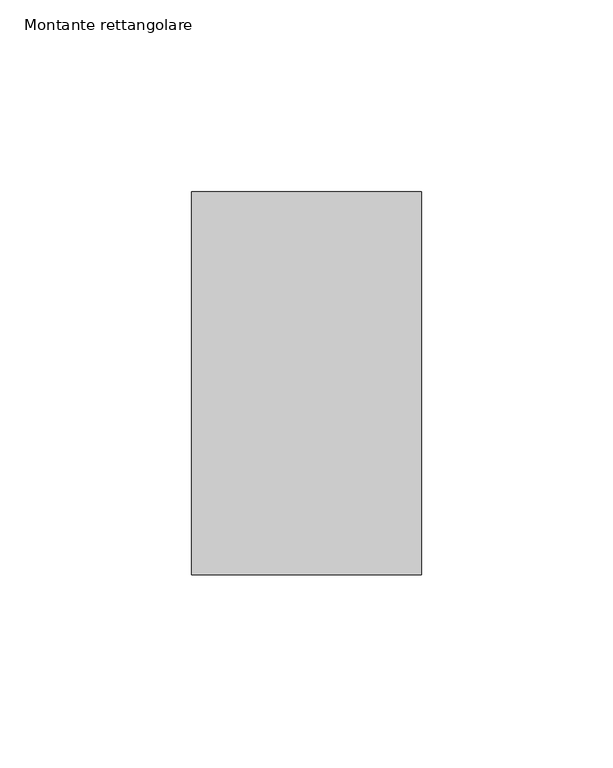
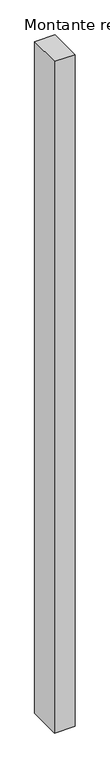
"""IFC4 building model written with IfcOpenShell, lengths in millimetres: member geometry, Montante rettangolare."""

from ifc_helpers import new_model, si_unit, frame, origin, place, context, project, spatial, polyline, outline, extrude, source, transform, mapped, element, save


def montante_rettangolare_3e5926e0(model_context):
    return source(origin(), model_context, "Body", "SweptSolid", [
        extrude(outline(polyline([(30.0, 50.0), (30.0, -50.0), (-30.0, -50.0), (-30.0, 50.0), (30.0, 50.0)])), frame((0.0, 0.0, -2075.0), z_axis=(0.0, 0.0, 1.0), x_axis=(1.0, 0.0, 0.0)), (0.0, 0.0, 1.0), 2075.0),
    ])


if __name__ == "__main__":
    model = new_model("IFC4")
    model_context = context("Model", 3, world=origin())
    ifc_project = project(units=[si_unit("LENGTHUNIT", "METRE", prefix="MILLI")], contexts=[model_context])
    site = spatial("IfcSite", under=ifc_project)
    building = spatial("IfcBuilding", under=site)
    placement = place(None, origin())
    montante_rettangolare_shape = montante_rettangolare_3e5926e0(model_context)
    element("IfcMember", 1, ObjectType="Montante rettangolare", at=placement, inside=building, context=model_context, shape_type="MappedRepresentation", body=[
        mapped(montante_rettangolare_shape, transform((0.0, 0.0, 0.0), x_axis=(1.0, 0.0, 0.0), y_axis=(0.0, 1.0, 0.0), z_axis=(0.0, 0.0, 1.0))),
    ])
    save(model, "model.ifc")
